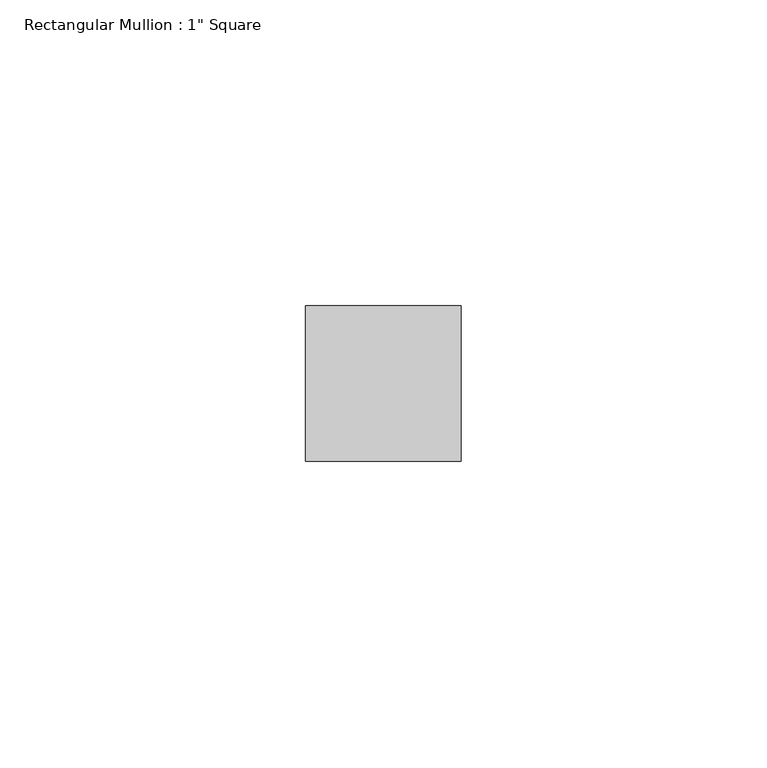
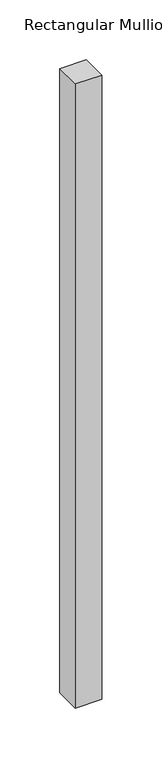
"""IFC4 building model written with IfcOpenShell, lengths in millimetres: member geometry."""

from ifc_helpers import new_model, si_unit, frame, origin, place, context, project, spatial, polyline, outline, extrude, source, transform, mapped, element, save


def member_db300946(model_context):
    return source(origin(), model_context, "Body", "SweptSolid", [
        extrude(outline(polyline([(0.0, 12.7), (0.0, -12.7), (-25.4, -12.7), (-25.4, 12.7), (0.0, 12.7)])), frame((0.0, 0.0, -635.0), z_axis=(0.0, 0.0, 1.0), x_axis=(1.0, 0.0, 0.0)), (0.0, 0.0, 1.0), 635.0),
    ])


if __name__ == "__main__":
    model = new_model("IFC4")
    model_context = context("Model", 3, world=origin())
    ifc_project = project(units=[si_unit("LENGTHUNIT", "METRE", prefix="MILLI")], contexts=[model_context])
    site = spatial("IfcSite", under=ifc_project)
    building = spatial("IfcBuilding", under=site)
    placement = place(None, origin())
    member_shape = member_db300946(model_context)
    element("IfcMember", 1, ObjectType="Rectangular Mullion : 1\" Square", at=placement, inside=building, context=model_context, shape_type="MappedRepresentation", body=[
        mapped(member_shape, transform((0.0, 0.0, 0.0), x_axis=(1.0, 0.0, 0.0), y_axis=(0.0, 1.0, 0.0), z_axis=(0.0, 0.0, 1.0))),
    ])
    save(model, "model.ifc")
